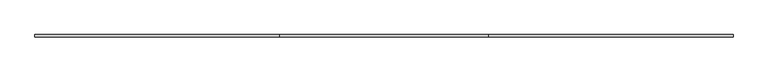
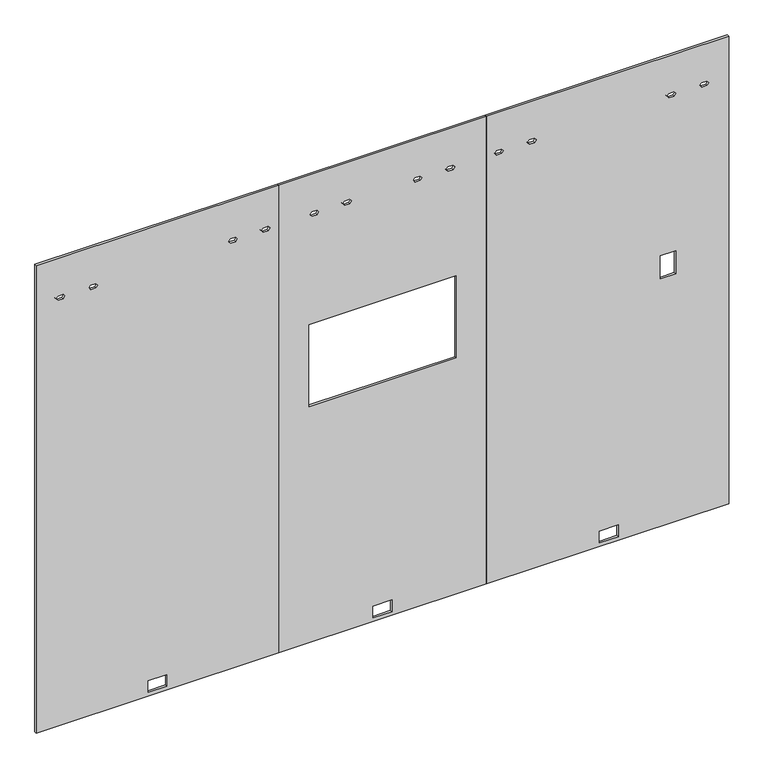
"""IFC4 building model written with IfcOpenShell, lengths in millimetres: furniture geometry."""

from ifc_helpers import new_model, si_unit, frame, origin, place, context, project, spatial, polyline, outline, extrude, source, transform, mapped, element, save


def furniture_eba2f339(model_context):
    return source(origin(), model_context, "Body", "SweptSolid", [
        extrude(outline(polyline([(12.7, 0.0), (12.7, 1066.8), (2186.3010468, 1066.8), (2186.3010468, 0.0), (12.7, 0.0)]), holes=[polyline([(29.6164, 492.2774), (83.9724, 492.2774), (83.9724, 574.5226), (29.6164, 574.5226), (29.6164, 492.2774)]), polyline([(2001.1032968, 847.050017), (2011.0981968, 855.101817), (2011.0981968, 877.098217), (2001.1032968, 885.150017), (1991.1083968, 877.098217), (1991.1083968, 855.101817), (2001.1032968, 847.050017)]), polyline([(2001.1032968, 991.4700171), (2011.0981968, 999.5218171), (2011.0981968, 1021.5182171), (2001.1032968, 1029.5700171), (1991.1083968, 1021.5182171), (1991.1083968, 999.5218171), (2001.1032968, 991.4700171)]), polyline([(2001.1032968, 88.0299829), (2011.0981968, 96.0817829), (2011.0981968, 118.0781829), (2001.1032968, 126.1299829), (1991.1083968, 118.0781829), (1991.1083968, 96.0817829), (2001.1032968, 88.0299829)]), polyline([(2001.1032968, 232.449983), (2011.0981968, 240.501783), (2011.0981968, 262.498183), (2001.1032968, 270.549983), (1991.1083968, 262.498183), (1991.1083968, 240.501783), (2001.1032968, 232.449983)])]), frame((0.0, -4.7752, 0.0), z_axis=(0.0, 1.0, 0.0), x_axis=(0.0, 0.0, 1.0)), (0.0, 0.0, 1.0), 9.525),
        extrude(outline(polyline([(12.7, 1981.2), (12.7, 3048.0), (2186.3010468, 3048.0), (2186.3010468, 1981.2), (12.7, 1981.2)]), holes=[polyline([(1271.0668, 2747.6589211), (1271.0668, 2814.6389897), (1163.3708, 2814.6389897), (1163.3708, 2747.6589211), (1271.0668, 2747.6589211)]), polyline([(29.6164, 2479.7631299), (83.9724, 2479.7631299), (83.9724, 2562.0083299), (29.6164, 2562.0083299), (29.6164, 2479.7631299)]), polyline([(2001.1032968, 2018.384988), (2011.0981968, 2026.436788), (2011.0981968, 2048.433188), (2001.1032968, 2056.484988), (1991.1083968, 2048.433188), (1991.1083968, 2026.436788), (2001.1032968, 2018.384988)]), polyline([(2001.1032968, 2162.8049882), (2011.0981968, 2170.8567882), (2011.0981968, 2192.8531882), (2001.1032968, 2200.9049882), (1991.1083968, 2192.8531882), (1991.1083968, 2170.8567882), (2001.1032968, 2162.8049882)]), polyline([(2001.1032968, 2777.450017), (2011.0981968, 2785.501817), (2011.0981968, 2807.498217), (2001.1032968, 2815.550017), (1991.1083968, 2807.498217), (1991.1083968, 2785.501817), (2001.1032968, 2777.450017)]), polyline([(2001.1032968, 2921.8700171), (2011.0981968, 2929.9218171), (2011.0981968, 2951.9182171), (2001.1032968, 2959.9700171), (1991.1083968, 2951.9182171), (1991.1083968, 2929.9218171), (2001.1032968, 2921.8700171)])]), frame((0.0, -4.7752, 0.0), z_axis=(0.0, 1.0, 0.0), x_axis=(0.0, 0.0, 1.0)), (0.0, 0.0, 1.0), 9.525),
        extrude(outline(polyline([(12.7, 1066.8), (12.7, 1981.2), (2186.3010468, 1981.2), (2186.3010468, 1066.8), (12.7, 1066.8)]), holes=[polyline([(1491.9706, 1200.15), (1491.9706, 1847.85), (1110.9706, 1847.85), (1110.9706, 1200.15), (1491.9706, 1200.15)]), polyline([(83.9724, 1565.1226), (29.6164, 1565.1226), (29.6164, 1482.8774), (83.9724, 1482.8774), (83.9724, 1565.1226)]), polyline([(2001.1032968, 1205.584988), (2011.0981968, 1213.636788), (2011.0981968, 1235.633188), (2001.1032968, 1243.684988), (1991.1083968, 1235.633188), (1991.1083968, 1213.636788), (2001.1032968, 1205.584988)]), polyline([(2001.1032968, 1350.0049882), (2011.0981968, 1358.0567882), (2011.0981968, 1380.0531882), (2001.1032968, 1388.1049882), (1991.1083968, 1380.0531882), (1991.1083968, 1358.0567882), (2001.1032968, 1350.0049882)]), polyline([(2001.1032968, 1659.8950118), (2011.0981968, 1667.9468118), (2011.0981968, 1689.9432118), (2001.1032968, 1697.9950118), (1991.1083968, 1689.9432118), (1991.1083968, 1667.9468118), (2001.1032968, 1659.8950118)]), polyline([(2001.1032968, 1804.315012), (2011.0981968, 1812.366812), (2011.0981968, 1834.363212), (2001.1032968, 1842.415012), (1991.1083968, 1834.363212), (1991.1083968, 1812.366812), (2001.1032968, 1804.315012)])]), frame((0.0, -4.7752, 0.0), z_axis=(0.0, 1.0, 0.0), x_axis=(0.0, 0.0, 1.0)), (0.0, 0.0, 1.0), 9.525),
    ])


if __name__ == "__main__":
    model = new_model("IFC4")
    model_context = context("Model", 3, world=origin())
    ifc_project = project(units=[si_unit("LENGTHUNIT", "METRE", prefix="MILLI")], contexts=[model_context])
    site = spatial("IfcSite", under=ifc_project)
    building = spatial("IfcBuilding", under=site)
    placement = place(None, origin())
    furniture_shape = furniture_eba2f339(model_context)
    element("IfcFurniture", 1, at=placement, inside=building, context=model_context, shape_type="MappedRepresentation", body=[
        mapped(furniture_shape, transform((0.0, 0.0, 0.0), x_axis=(1.0, 0.0, 0.0), y_axis=(0.0, 1.0, 0.0), z_axis=(0.0, 0.0, 1.0))),
    ])
    save(model, "model.ifc")
